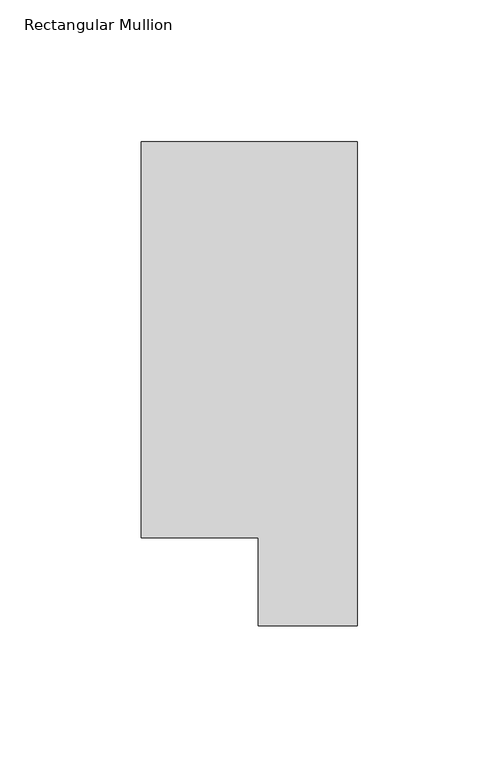
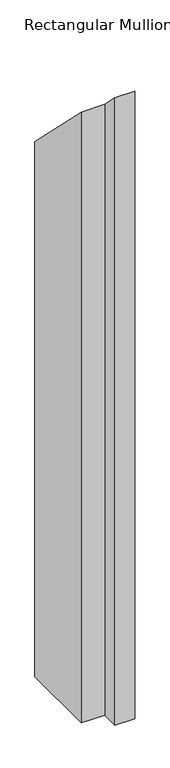
"""IFC4 building model written with IfcOpenShell, lengths in millimetres: member geometry, Rectangular Mullion."""

from ifc_helpers import new_model, si_unit, origin, place, context, project, spatial, faceted_brep, source, transform, mapped, element, save


def rectangular_mullion_364371f2(model_context):
    return source(origin(), model_context, "Body", "Brep", [
        faceted_brep([(-76.2, 190.7881317, -1181.4309706), (0.0, 190.7881317, -1181.4309706), (0.0, 19.5667317, -1181.4309706), (-34.9123, 19.5667317, -1181.4309706), (-34.9123, 50.8087306, -1181.4309706), (-76.2, 50.8087306, -1181.4309706), (-76.2, 50.8087306, -50.8087306), (-76.2, 190.7881317, -190.7881317), (-34.9123, 50.8087306, -50.8087306), (-34.9123, 19.5667317, -19.5667317), (0.0, 19.5667317, -19.5667317), (0.0, 190.7881317, -190.7881317)], [[[0, 1, 2, 3, 4, 5]], [[6, 7, 0, 5]], [[8, 6, 5, 4]], [[9, 8, 4, 3]], [[10, 9, 3, 2]], [[11, 10, 2, 1]], [[7, 11, 1, 0]], [[7, 6, 8, 9, 10, 11]]]),
    ])


if __name__ == "__main__":
    model = new_model("IFC4")
    model_context = context("Model", 3, world=origin())
    ifc_project = project(units=[si_unit("LENGTHUNIT", "METRE", prefix="MILLI")], contexts=[model_context])
    site = spatial("IfcSite", under=ifc_project)
    building = spatial("IfcBuilding", under=site)
    placement = place(None, origin())
    rectangular_mullion_shape = rectangular_mullion_364371f2(model_context)
    element("IfcMember", 1, ObjectType="Rectangular Mullion", at=placement, inside=building, context=model_context, shape_type="MappedRepresentation", body=[
        mapped(rectangular_mullion_shape, transform((0.0, 0.0, 0.0), x_axis=(1.0, 0.0, 0.0), y_axis=(0.0, 1.0, 0.0), z_axis=(0.0, 0.0, 1.0))),
    ])
    save(model, "model.ifc")
